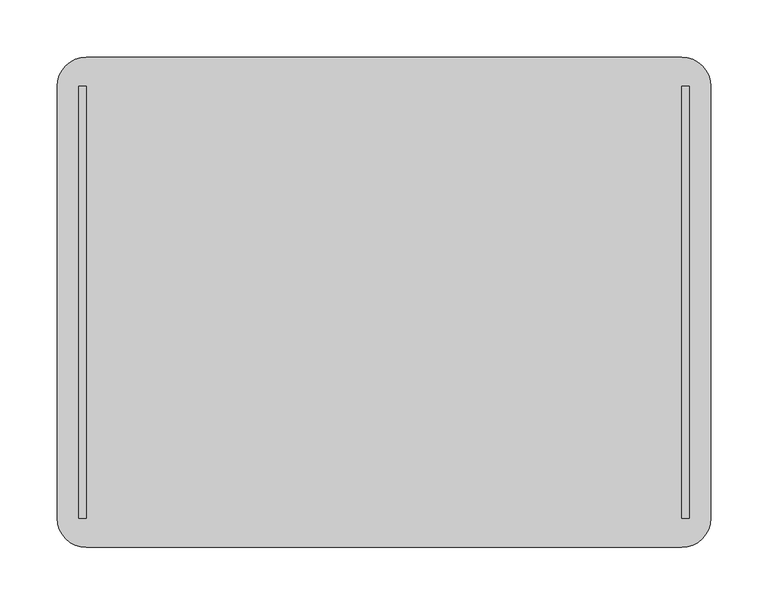
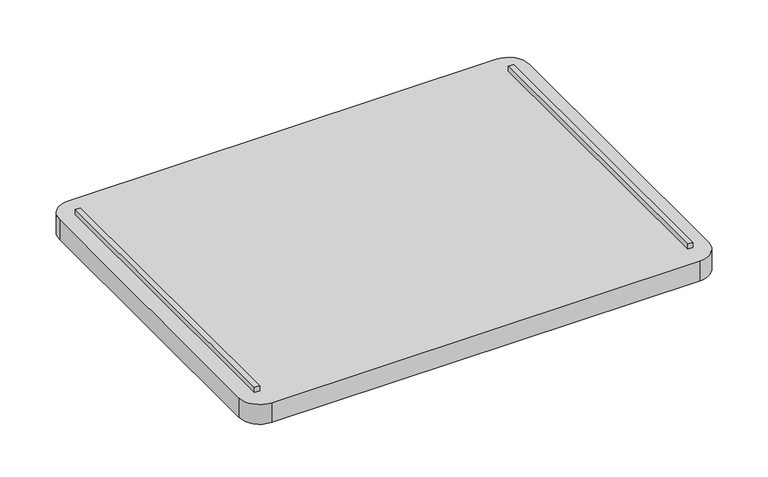
"""IFC4 building model written with IfcOpenShell, lengths in millimetres: furniture geometry."""

from ifc_helpers import new_model, si_unit, point, frame, frame_2d, origin, place, context, project, spatial, polyline, circle_curve, trimmed, segment, composite_curve, outline, extrude, source, transform, mapped, element, save


def furniture_17270ee1(model_context):
    return source(origin(), model_context, "Body", "SweptSolid", [
        extrude(outline(polyline([(-260.35, -188.9125), (-266.7, -188.9125), (-266.7, 188.9125), (-260.35, 188.9125), (-260.35, -188.9125)])), frame((0.0, 0.0, 824.63132), z_axis=(0.0, 0.0, 1.0), x_axis=(1.0, 0.0, 0.0)), (0.0, 0.0, 1.0), 6.35),
        extrude(outline(polyline([(266.7, -188.9125), (260.35, -188.9125), (260.35, 188.9125), (266.7, 188.9125), (266.7, -188.9125)])), frame((0.0, 0.0, 824.63132), z_axis=(0.0, 0.0, 1.0), x_axis=(1.0, 0.0, 0.0)), (0.0, 0.0, 1.0), 6.35),
        extrude(outline(composite_curve([segment(trimmed(circle_curve(frame_2d((260.35, 188.9125)), 25.4), [point((260.35, 214.3125))], [point((285.75, 188.9125))], False, "CARTESIAN"), True, "CONTINUOUS"), segment(polyline([(285.75, 188.9125), (285.75, -188.9125)]), True, "CONTINUOUS"), segment(trimmed(circle_curve(frame_2d((260.35, -188.9125)), 25.4), [point((285.75, -188.9125))], [point((260.35, -214.3125))], False, "CARTESIAN"), True, "CONTINUOUS"), segment(polyline([(260.35, -214.3125), (-260.35, -214.3125)]), True, "CONTINUOUS"), segment(trimmed(circle_curve(frame_2d((-260.35, -188.9125)), 25.4), [point((-260.35, -214.3125))], [point((-285.75, -188.9125))], False, "CARTESIAN"), True, "CONTINUOUS"), segment(polyline([(-285.75, -188.9125), (-285.75, 188.9125)]), True, "CONTINUOUS"), segment(trimmed(circle_curve(frame_2d((-260.35, 188.9125)), 25.4), [point((-285.75, 188.9125))], [point((-260.35, 214.3125))], False, "CARTESIAN"), True, "CONTINUOUS"), segment(polyline([(-260.35, 214.3125), (260.35, 214.3125)]), True, "CONTINUOUS")], self_intersect=False)), frame((0.0, 0.0, 799.23132), z_axis=(0.0, 0.0, 1.0), x_axis=(1.0, 0.0, 0.0)), (0.0, 0.0, 1.0), 25.4),
    ])


if __name__ == "__main__":
    model = new_model("IFC4")
    model_context = context("Model", 3, world=origin())
    ifc_project = project(units=[si_unit("LENGTHUNIT", "METRE", prefix="MILLI")], contexts=[model_context])
    site = spatial("IfcSite", under=ifc_project)
    building = spatial("IfcBuilding", under=site)
    placement = place(None, origin())
    furniture_shape = furniture_17270ee1(model_context)
    element("IfcFurniture", 1, at=placement, inside=building, context=model_context, shape_type="MappedRepresentation", body=[
        mapped(furniture_shape, transform((0.0, 0.0, 0.0), x_axis=(1.0, 0.0, 0.0), y_axis=(0.0, 1.0, 0.0), z_axis=(0.0, 0.0, 1.0))),
    ])
    save(model, "model.ifc")
